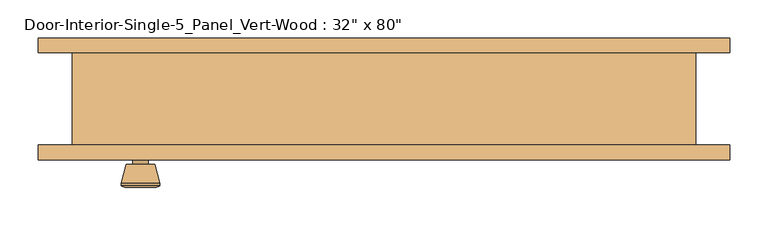
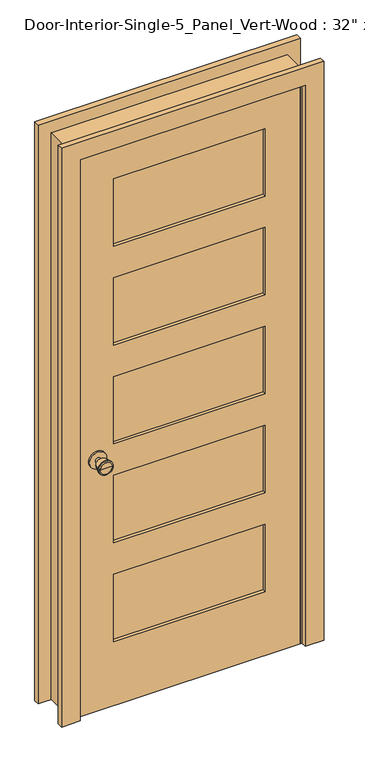
"""IFC4 building model written with IfcOpenShell, lengths in millimetres: door geometry."""

from ifc_helpers import new_model, si_unit, point, frame, frame_2d, origin, place, context, project, spatial, polyline, circle_curve, trimmed, segment, composite_curve, outline, extrude, faceted_brep, source, transform, mapped, element, save
from ifc_brep_helpers import plane_surface, cylinder_surface, revolved_surface, advanced_brep


def door_68b69fb2(model_context):
    return source(origin(), model_context, "Body", "SolidModel", [
        advanced_brep(
        [(-317.5, -16.225, 914.4), (-327.5, -16.225, 914.4), (-307.5, -16.225, 914.4), (-297.0241324, 32.775, 914.4), (-337.9758676, 32.775, 914.4), (-317.5, 32.775, 914.4), (-292.5, 30.9471319, 914.4), (-342.5, 30.9471319, 914.4), (-292.5, 27.4834537, 914.4), (-342.5, 27.4834537, 914.4), (-298.863764, 2.775, 914.4), (-336.136236, 2.775, 914.4), (-307.5, 2.775, 914.4), (-327.5, 2.775, 914.4)],
        [
            (0, 1),
            (1, 2, circle_curve(frame((-317.5, -16.225, 914.4), z_axis=(0.0, -1.0, 0.0), x_axis=(-1.0, 0.0, 0.0)), 10.0)),
            (2, 0),
            (2, 1, circle_curve(frame((-317.5, -16.225, 914.4), z_axis=(0.0, -1.0, 0.0), x_axis=(-1.0, 0.0, 0.0)), 10.0)),
            (3, 4, circle_curve(frame((-317.5, 32.775, 914.4), z_axis=(0.0, 1.0, 0.0), x_axis=(-1.0, 0.0, 0.0)), 20.4758676)),
            (4, 5),
            (5, 3),
            (4, 3, circle_curve(frame((-317.5, 32.775, 914.4), z_axis=(0.0, 1.0, 0.0), x_axis=(-1.0, 0.0, 0.0)), 20.4758676)),
            (6, 7, circle_curve(frame((-317.5, 30.9471319, 914.4), z_axis=(0.0, 1.0, 0.0), x_axis=(-1.0, 0.0, 0.0)), 25.0)),
            (7, 4),
            (3, 6),
            (7, 6, circle_curve(frame((-317.5, 30.9471319, 914.4), z_axis=(0.0, 1.0, 0.0), x_axis=(-1.0, 0.0, 0.0)), 25.0)),
            (8, 9, circle_curve(frame((-317.5, 27.4834537, 914.4), z_axis=(0.0, 1.0, 0.0), x_axis=(-1.0, 0.0, 0.0)), 25.0)),
            (9, 7),
            (6, 8),
            (9, 8, circle_curve(frame((-317.5, 27.4834537, 914.4), z_axis=(0.0, 1.0, 0.0), x_axis=(-1.0, 0.0, 0.0)), 25.0)),
            (10, 11, circle_curve(frame((-317.5, 2.775, 914.4), z_axis=(0.0, 1.0, 0.0), x_axis=(-1.0, 0.0, 0.0)), 18.636236)),
            (11, 9),
            (8, 10),
            (11, 10, circle_curve(frame((-317.5, 2.775, 914.4), z_axis=(0.0, 1.0, 0.0), x_axis=(-1.0, 0.0, 0.0)), 18.636236)),
            (12, 13, circle_curve(frame((-317.5, 2.775, 914.4), z_axis=(0.0, 1.0, 0.0), x_axis=(-1.0, 0.0, 0.0)), 10.0)),
            (13, 11),
            (10, 12),
            (13, 12, circle_curve(frame((-317.5, 2.775, 914.4), z_axis=(0.0, 1.0, 0.0), x_axis=(-1.0, 0.0, 0.0)), 10.0)),
            (1, 13),
            (12, 2),
        ],
        [
            plane_surface(frame((-317.5, -16.225, 914.4), z_axis=(0.0, -1.0, 0.0), x_axis=(-1.0, 0.0, 0.0))),
            plane_surface(frame((-317.5, 32.775, 914.4), z_axis=(0.0, 1.0, 0.0), x_axis=(-1.0, 0.0, 0.0))),
            revolved_surface(polyline([(-337.9758676, 32.775, 914.4), (-342.5, 30.9471319, 914.4)]), (-317.5, -16.225, 914.4), (0.0, -1.0, 0.0)),
            cylinder_surface(frame((-317.5, -16.225, 914.4), z_axis=(0.0, -1.0, 0.0), x_axis=(-1.0, 0.0, 0.0)), 25.0),
            revolved_surface(polyline([(-342.5, 27.4834537, 914.4), (-336.136236, 2.775, 914.4)]), (-317.5, -16.225, 914.4), (0.0, -1.0, 0.0)),
            plane_surface(frame((-317.5, 2.775, 914.4), z_axis=(0.0, -1.0, 0.0), x_axis=(-1.0, 0.0, 0.0))),
            cylinder_surface(frame((-317.5, -16.225, 914.4), z_axis=(0.0, -1.0, 0.0), x_axis=(-1.0, 0.0, 0.0)), 10.0),
        ],
        [
            (0, [[1, 2, 3]]),
            (0, [[-3, 4, -1]]),
            (1, [[5, 6, 7]]),
            (1, [[8, -7, -6]]),
            (2, [[9, 10, -5, 11]]),
            (2, [[12, -11, -8, -10]]),
            (3, [[13, 14, -9, 15]]),
            (3, [[16, -15, -12, -14]]),
            (4, [[17, 18, -13, 19]]),
            (4, [[20, -19, -16, -18]]),
            (5, [[21, 22, -17, 23]]),
            (5, [[24, -23, -20, -22]]),
            (6, [[-2, 25, -21, 26]]),
            (6, [[-4, -26, -24, -25]]),
        ],
    ),
        extrude(outline(composite_curve([segment(trimmed(circle_curve(frame_2d((914.4, -317.5)), 30.0), [point((914.4, -347.5))], [point((914.4, -287.5))], False, "CARTESIAN"), True, "CONTINUOUS"), segment(trimmed(circle_curve(frame_2d((914.4, -317.5)), 30.0), [point((914.4, -287.5))], [point((914.4, -347.5))], False, "CARTESIAN"), True, "CONTINUOUS")], self_intersect=False)), frame((0.0, -22.225, 0.0), z_axis=(0.0, 1.0, 0.0), x_axis=(0.0, 0.0, 1.0)), (0.0, 0.0, 1.0), 6.0),
        advanced_brep(
        [(-317.5, -63.15, 914.4), (-307.5, -63.15, 914.4), (-327.5, -63.15, 914.4), (-297.0241324, -112.15, 914.4), (-317.5, -112.15, 914.4), (-337.9758676, -112.15, 914.4), (-292.5, -110.3221319, 914.4), (-342.5, -110.3221319, 914.4), (-292.5, -106.8584537, 914.4), (-342.5, -106.8584537, 914.4), (-298.863764, -82.15, 914.4), (-336.136236, -82.15, 914.4), (-307.5, -82.15, 914.4), (-327.5, -82.15, 914.4)],
        [
            (0, 1),
            (1, 2, circle_curve(frame((-317.5, -63.15, 914.4), z_axis=(0.0, 1.0, 0.0), x_axis=(-1.0, 0.0, 0.0)), 10.0)),
            (2, 0),
            (2, 1, circle_curve(frame((-317.5, -63.15, 914.4), z_axis=(0.0, 1.0, 0.0), x_axis=(-1.0, 0.0, 0.0)), 10.0)),
            (3, 4),
            (4, 5),
            (5, 3, circle_curve(frame((-317.5, -112.15, 914.4), z_axis=(0.0, -1.0, 0.0), x_axis=(-1.0, 0.0, 0.0)), 20.4758676)),
            (3, 5, circle_curve(frame((-317.5, -112.15, 914.4), z_axis=(0.0, -1.0, 0.0), x_axis=(-1.0, 0.0, 0.0)), 20.4758676)),
            (6, 3),
            (5, 7),
            (7, 6, circle_curve(frame((-317.5, -110.3221319, 914.4), z_axis=(0.0, -1.0, 0.0), x_axis=(-1.0, 0.0, 0.0)), 25.0)),
            (6, 7, circle_curve(frame((-317.5, -110.3221319, 914.4), z_axis=(0.0, -1.0, 0.0), x_axis=(-1.0, 0.0, 0.0)), 25.0)),
            (8, 6),
            (7, 9),
            (9, 8, circle_curve(frame((-317.5, -106.8584537, 914.4), z_axis=(0.0, -1.0, 0.0), x_axis=(-1.0, 0.0, 0.0)), 25.0)),
            (8, 9, circle_curve(frame((-317.5, -106.8584537, 914.4), z_axis=(0.0, -1.0, 0.0), x_axis=(-1.0, 0.0, 0.0)), 25.0)),
            (10, 8),
            (9, 11),
            (11, 10, circle_curve(frame((-317.5, -82.15, 914.4), z_axis=(0.0, -1.0, 0.0), x_axis=(-1.0, 0.0, 0.0)), 18.636236)),
            (10, 11, circle_curve(frame((-317.5, -82.15, 914.4), z_axis=(0.0, -1.0, 0.0), x_axis=(-1.0, 0.0, 0.0)), 18.636236)),
            (12, 10),
            (11, 13),
            (13, 12, circle_curve(frame((-317.5, -82.15, 914.4), z_axis=(0.0, -1.0, 0.0), x_axis=(-1.0, 0.0, 0.0)), 10.0)),
            (12, 13, circle_curve(frame((-317.5, -82.15, 914.4), z_axis=(0.0, -1.0, 0.0), x_axis=(-1.0, 0.0, 0.0)), 10.0)),
            (1, 12),
            (13, 2),
        ],
        [
            plane_surface(frame((-317.5, -63.15, 914.4), z_axis=(0.0, 1.0, 0.0), x_axis=(-1.0, 0.0, 0.0))),
            plane_surface(frame((-317.5, -112.15, 914.4), z_axis=(0.0, -1.0, 0.0), x_axis=(-1.0, 0.0, 0.0))),
            revolved_surface(polyline([(-337.9758676, -112.15, 914.4), (-342.5, -110.3221319, 914.4)]), (-317.5, -63.15, 914.4), (0.0, 1.0, 0.0)),
            cylinder_surface(frame((-317.5, -63.15, 914.4), z_axis=(0.0, 1.0, 0.0), x_axis=(-1.0, 0.0, 0.0)), 25.0),
            revolved_surface(polyline([(-342.5, -106.8584537, 914.4), (-336.136236, -82.15, 914.4)]), (-317.5, -63.15, 914.4), (0.0, 1.0, 0.0)),
            plane_surface(frame((-317.5, -82.15, 914.4), z_axis=(0.0, 1.0, 0.0), x_axis=(-1.0, 0.0, 0.0))),
            cylinder_surface(frame((-317.5, -63.15, 914.4), z_axis=(0.0, 1.0, 0.0), x_axis=(-1.0, 0.0, 0.0)), 10.0),
        ],
        [
            (0, [[1, 2, 3]]),
            (0, [[-3, 4, -1]]),
            (1, [[5, 6, 7]]),
            (1, [[-6, -5, 8]]),
            (2, [[9, -7, 10, 11]]),
            (2, [[-10, -8, -9, 12]]),
            (3, [[13, -11, 14, 15]]),
            (3, [[-14, -12, -13, 16]]),
            (4, [[17, -15, 18, 19]]),
            (4, [[-18, -16, -17, 20]]),
            (5, [[21, -19, 22, 23]]),
            (5, [[-22, -20, -21, 24]]),
            (6, [[25, -23, 26, -2]]),
            (6, [[-26, -24, -25, -4]]),
        ],
    ),
        extrude(outline(composite_curve([segment(trimmed(circle_curve(frame_2d((914.4, -317.5)), 30.0), [point((914.4, -347.5))], [point((914.4, -287.5))], False, "CARTESIAN"), True, "CONTINUOUS"), segment(trimmed(circle_curve(frame_2d((914.4, -317.5)), 30.0), [point((914.4, -287.5))], [point((914.4, -347.5))], False, "CARTESIAN"), True, "CONTINUOUS")], self_intersect=False)), frame((0.0, -63.15, 0.0), z_axis=(0.0, 1.0, 0.0), x_axis=(0.0, 0.0, 1.0)), (0.0, 0.0, 1.0), 6.0),
        extrude(outline(polyline([(260.35, -33.8666667), (260.35, -45.5083333), (-260.35, -45.5083333), (-260.35, -33.8666667), (260.35, -33.8666667)])), frame((0.0, 0.0, 1668.145), z_axis=(0.0, 0.0, 1.0), x_axis=(1.0, 0.0, 0.0)), (0.0, 0.0, 1.0), 244.7925),
        extrude(outline(polyline([(260.35, -33.8666667), (260.35, -45.5083333), (-260.35, -45.5083333), (-260.35, -33.8666667), (260.35, -33.8666667)])), frame((0.0, 0.0, 1309.0525), z_axis=(0.0, 0.0, 1.0), x_axis=(1.0, 0.0, 0.0)), (0.0, 0.0, 1.0), 244.7925),
        extrude(outline(polyline([(260.35, -33.8666667), (260.35, -45.5083333), (-260.35, -45.5083333), (-260.35, -33.8666667), (260.35, -33.8666667)])), frame((0.0, 0.0, 590.8675), z_axis=(0.0, 0.0, 1.0), x_axis=(1.0, 0.0, 0.0)), (0.0, 0.0, 1.0), 244.7925),
        extrude(outline(polyline([(260.35, -33.8666667), (260.35, -45.5083333), (-260.35, -45.5083333), (-260.35, -33.8666667), (260.35, -33.8666667)])), frame((0.0, 0.0, 231.775), z_axis=(0.0, 0.0, 1.0), x_axis=(1.0, 0.0, 0.0)), (0.0, 0.0, 1.0), 244.7925),
        extrude(outline(polyline([(260.35, -33.8666667), (260.35, -45.5083333), (-260.35, -45.5083333), (-260.35, -33.8666667), (260.35, -33.8666667)])), frame((0.0, 0.0, 949.96), z_axis=(0.0, 0.0, 1.0), x_axis=(1.0, 0.0, 0.0)), (0.0, 0.0, 1.0), 244.7925),
        extrude(outline(polyline([(2032.0, -381.0), (0.0, -381.0), (0.0, 381.0), (2032.0, 381.0), (2032.0, -381.0)]), holes=[polyline([(1912.9375, -260.35), (1912.9375, 260.35), (1668.145, 260.35), (1668.145, -260.35), (1912.9375, -260.35)]), polyline([(476.5675, -260.35), (476.5675, 260.35), (231.775, 260.35), (231.775, -260.35), (476.5675, -260.35)]), polyline([(1194.7525, -260.35), (1194.7525, 260.35), (949.96, 260.35), (949.96, -260.35), (1194.7525, -260.35)]), polyline([(1553.845, -260.35), (1553.845, 260.35), (1309.0525, 260.35), (1309.0525, -260.35), (1553.845, -260.35)]), polyline([(835.66, -260.35), (835.66, 260.35), (590.8675, 260.35), (590.8675, -260.35), (835.66, -260.35)])]), frame((0.0, -57.15, 0.0), z_axis=(0.0, 1.0, 0.0), x_axis=(0.0, 0.0, 1.0)), (0.0, 0.0, 1.0), 34.925),
        faceted_brep([(406.4, -57.15, 0.0), (381.0, -57.15, 0.0), (381.0, -22.225, 0.0), (368.3, -22.225, 0.0), (368.3, 12.7, 0.0), (381.0, 12.7, 0.0), (381.0, 63.5, 0.0), (406.4, 63.5, 0.0), (406.4, 63.5, 2057.4), (406.4, -57.15, 2057.4), (381.0, 63.5, 2032.0), (-381.0, 63.5, 2032.0), (-381.0, 63.5, 0.0), (-406.4, 63.5, 0.0), (-406.4, 63.5, 2057.4), (381.0, 12.7, 2032.0), (368.3, 12.7, 2019.3), (-368.3, 12.7, 2019.3), (-368.3, 12.7, 0.0), (-381.0, 12.7, 0.0), (-381.0, 12.7, 2032.0), (368.3, -22.225, 2019.3), (381.0, -22.225, 2032.0), (-381.0, -22.225, 2032.0), (-381.0, -22.225, 0.0), (-368.3, -22.225, 0.0), (-368.3, -22.225, 2019.3), (381.0, -57.15, 2032.0), (-406.4, -57.15, 2057.4), (-406.4, -57.15, 0.0), (-381.0, -57.15, 0.0), (-381.0, -57.15, 2032.0)], [[[0, 1, 2, 3, 4, 5, 6, 7]], [[7, 8, 9, 0]], [[6, 10, 11, 12, 13, 14, 8, 7]], [[5, 15, 10, 6]], [[4, 16, 17, 18, 19, 20, 15, 5]], [[3, 21, 16, 4]], [[2, 22, 23, 24, 25, 26, 21, 3]], [[1, 27, 22, 2]], [[0, 9, 28, 29, 30, 31, 27, 1]], [[8, 14, 28, 9]], [[15, 20, 11, 10]], [[21, 26, 17, 16]], [[27, 31, 23, 22]], [[29, 13, 12, 19, 18, 25, 24, 30]], [[14, 13, 29, 28]], [[20, 19, 12, 11]], [[26, 25, 18, 17]], [[31, 30, 24, 23]]]),
        extrude(outline(polyline([(0.0, 450.85), (2101.85, 450.85), (2101.85, -450.85), (0.0, -450.85), (0.0, -387.35), (2038.35, -387.35), (2038.35, 387.35), (0.0, 387.35), (0.0, 450.85)])), frame((0.0, 63.5, 0.0), z_axis=(0.0, 1.0, 0.0), x_axis=(0.0, 0.0, 1.0)), (0.0, 0.0, 1.0), 19.05),
        extrude(outline(polyline([(0.0, 450.85), (2101.85, 450.85), (2101.85, -450.85), (0.0, -450.85), (0.0, -387.35), (2038.35, -387.35), (2038.35, 387.35), (0.0, 387.35), (0.0, 450.85)])), frame((0.0, -76.2, 0.0), z_axis=(0.0, 1.0, 0.0), x_axis=(0.0, 0.0, 1.0)), (0.0, 0.0, 1.0), 19.05),
    ])


if __name__ == "__main__":
    model = new_model("IFC4")
    model_context = context("Model", 3, world=origin())
    ifc_project = project(units=[si_unit("LENGTHUNIT", "METRE", prefix="MILLI")], contexts=[model_context])
    site = spatial("IfcSite", under=ifc_project)
    building = spatial("IfcBuilding", under=site)
    placement = place(None, origin())
    door_shape = door_68b69fb2(model_context)
    element("IfcDoor", 1, ObjectType="Door-Interior-Single-5_Panel_Vert-Wood : 32\" x 80\"", at=placement, inside=building, context=model_context, shape_type="MappedRepresentation", body=[
        mapped(door_shape, transform((0.0, 0.0, 0.0), x_axis=(1.0, 0.0, 0.0), y_axis=(0.0, 1.0, 0.0), z_axis=(0.0, 0.0, 1.0))),
    ])
    save(model, "model.ifc")
